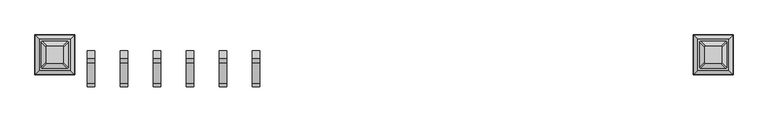
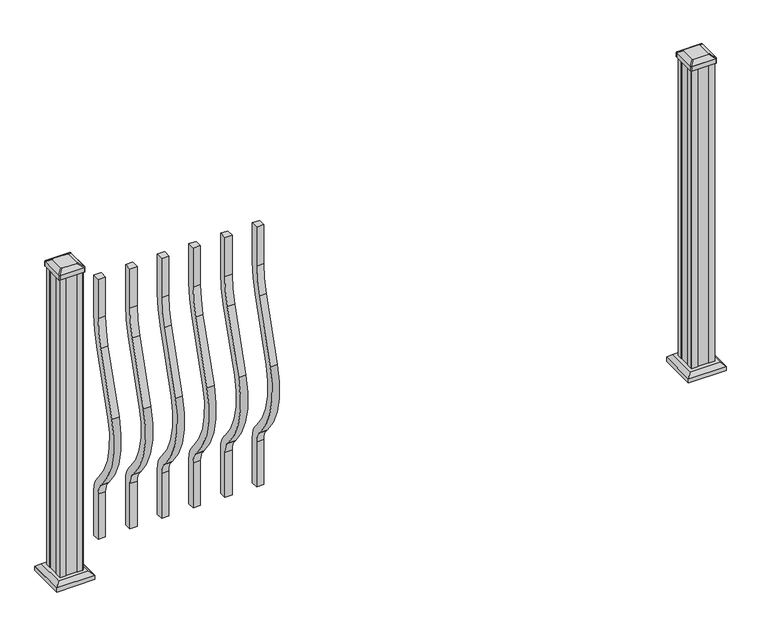
"""IFC4 building model written with IfcOpenShell, lengths in millimetres: railing geometry."""

from ifc_helpers import new_model, si_unit, point, frame, frame_2d, origin, origin_with_axes, place, context, project, spatial, polyline, circle_curve, trimmed, segment, composite_curve, outline, extrude, faceted_brep, source, transform, mapped, element, save
from ifc_brep_helpers import plane_surface, extruded_surface, advanced_brep


def railing_25727930(model_context):
    return source(origin(), model_context, "Body", "SolidModel", [
        extrude(outline(composite_curve([segment(polyline([(-48675.466414, 921.03216), (-48675.466414, 1066.8), (-48650.066414, 1066.8), (-48650.066414, 921.03216)]), True, "CONTINUOUS"), segment(trimmed(circle_curve(frame_2d((-49022.766414, 921.03216)), 372.7), [point((-48650.066414, 921.03216))], [point((-48666.3516315, 812.0652257))], False, "CARTESIAN"), True, "CONTINUOUS"), segment(polyline([(-48666.3516315, 812.0652257), (-48734.1789093, 590.2121964)]), True, "CONTINUOUS"), segment(trimmed(circle_curve(frame_2d((-48478.558648, 512.0612397)), 267.3), [point((-48734.1789093, 590.2121964))], [point((-48677.8736709, 333.9522516))], True, "CARTESIAN"), True, "CONTINUOUS"), segment(polyline([(-48677.8736709, 333.9522516), (-48672.3719976, 327.7955374)]), True, "CONTINUOUS"), segment(trimmed(circle_curve(frame_2d((-48737.766414, 269.3587313)), 87.7), [point((-48672.3719976, 327.7955374))], [point((-48650.066414, 269.3587313))], False, "CARTESIAN"), True, "CONTINUOUS"), segment(polyline([(-48650.066414, 269.3587313), (-48650.066414, 101.5958781), (-48675.466414, 101.5958781), (-48675.466414, 269.3587313)]), True, "CONTINUOUS"), segment(trimmed(circle_curve(frame_2d((-48737.766414, 269.3587313)), 62.3), [point((-48675.466414, 269.3587313))], [point((-48691.3117716, 310.8708524))], True, "CARTESIAN"), True, "CONTINUOUS"), segment(polyline([(-48691.3117716, 310.8708524), (-48696.8134448, 317.0275666)]), True, "CONTINUOUS"), segment(trimmed(circle_curve(frame_2d((-48478.558648, 512.0612397)), 292.7), [point((-48696.8134448, 317.0275666))], [point((-48758.4690501, 597.6384377))], False, "CARTESIAN"), True, "CONTINUOUS"), segment(polyline([(-48758.4690501, 597.6384377), (-48690.6417723, 819.491467)]), True, "CONTINUOUS"), segment(trimmed(circle_curve(frame_2d((-49022.766414, 921.03216)), 347.3), [point((-48690.6417723, 819.491467))], [point((-48675.466414, 921.03216))], True, "CARTESIAN"), True, "CONTINUOUS")], self_intersect=False)), frame((14147.5692463, 0.0, 0.0), z_axis=(1.0, 0.0, 0.0), x_axis=(0.0, 1.0, 0.0)), (0.0, 0.0, 1.0), 25.4),
        extrude(outline(composite_curve([segment(polyline([(-48675.466414, 921.03216), (-48675.466414, 1066.8), (-48650.066414, 1066.8), (-48650.066414, 921.03216)]), True, "CONTINUOUS"), segment(trimmed(circle_curve(frame_2d((-49022.766414, 921.03216)), 372.7), [point((-48650.066414, 921.03216))], [point((-48666.3516315, 812.0652257))], False, "CARTESIAN"), True, "CONTINUOUS"), segment(polyline([(-48666.3516315, 812.0652257), (-48734.1789093, 590.2121964)]), True, "CONTINUOUS"), segment(trimmed(circle_curve(frame_2d((-48478.558648, 512.0612397)), 267.3), [point((-48734.1789093, 590.2121964))], [point((-48677.8736709, 333.9522516))], True, "CARTESIAN"), True, "CONTINUOUS"), segment(polyline([(-48677.8736709, 333.9522516), (-48672.3719976, 327.7955374)]), True, "CONTINUOUS"), segment(trimmed(circle_curve(frame_2d((-48737.766414, 269.3587313)), 87.7), [point((-48672.3719976, 327.7955374))], [point((-48650.066414, 269.3587313))], False, "CARTESIAN"), True, "CONTINUOUS"), segment(polyline([(-48650.066414, 269.3587313), (-48650.066414, 101.5958781), (-48675.466414, 101.5958781), (-48675.466414, 269.3587313)]), True, "CONTINUOUS"), segment(trimmed(circle_curve(frame_2d((-48737.766414, 269.3587313)), 62.3), [point((-48675.466414, 269.3587313))], [point((-48691.3117716, 310.8708524))], True, "CARTESIAN"), True, "CONTINUOUS"), segment(polyline([(-48691.3117716, 310.8708524), (-48696.8134448, 317.0275666)]), True, "CONTINUOUS"), segment(trimmed(circle_curve(frame_2d((-48478.558648, 512.0612397)), 292.7), [point((-48696.8134448, 317.0275666))], [point((-48758.4690501, 597.6384377))], False, "CARTESIAN"), True, "CONTINUOUS"), segment(polyline([(-48758.4690501, 597.6384377), (-48690.6417723, 819.491467)]), True, "CONTINUOUS"), segment(trimmed(circle_curve(frame_2d((-49022.766414, 921.03216)), 347.3), [point((-48690.6417723, 819.491467))], [point((-48675.466414, 921.03216))], True, "CARTESIAN"), True, "CONTINUOUS")], self_intersect=False)), frame((14036.4442463, 0.0, 0.0), z_axis=(1.0, 0.0, 0.0), x_axis=(0.0, 1.0, 0.0)), (0.0, 0.0, 1.0), 25.4),
        extrude(outline(composite_curve([segment(polyline([(-48675.466414, 921.03216), (-48675.466414, 1066.8), (-48650.066414, 1066.8), (-48650.066414, 921.03216)]), True, "CONTINUOUS"), segment(trimmed(circle_curve(frame_2d((-49022.766414, 921.03216)), 372.7), [point((-48650.066414, 921.03216))], [point((-48666.3516315, 812.0652257))], False, "CARTESIAN"), True, "CONTINUOUS"), segment(polyline([(-48666.3516315, 812.0652257), (-48734.1789093, 590.2121964)]), True, "CONTINUOUS"), segment(trimmed(circle_curve(frame_2d((-48478.558648, 512.0612397)), 267.3), [point((-48734.1789093, 590.2121964))], [point((-48677.8736709, 333.9522516))], True, "CARTESIAN"), True, "CONTINUOUS"), segment(polyline([(-48677.8736709, 333.9522516), (-48672.3719976, 327.7955374)]), True, "CONTINUOUS"), segment(trimmed(circle_curve(frame_2d((-48737.766414, 269.3587313)), 87.7), [point((-48672.3719976, 327.7955374))], [point((-48650.066414, 269.3587313))], False, "CARTESIAN"), True, "CONTINUOUS"), segment(polyline([(-48650.066414, 269.3587313), (-48650.066414, 101.5958781), (-48675.466414, 101.5958781), (-48675.466414, 269.3587313)]), True, "CONTINUOUS"), segment(trimmed(circle_curve(frame_2d((-48737.766414, 269.3587313)), 62.3), [point((-48675.466414, 269.3587313))], [point((-48691.3117716, 310.8708524))], True, "CARTESIAN"), True, "CONTINUOUS"), segment(polyline([(-48691.3117716, 310.8708524), (-48696.8134448, 317.0275666)]), True, "CONTINUOUS"), segment(trimmed(circle_curve(frame_2d((-48478.558648, 512.0612397)), 292.7), [point((-48696.8134448, 317.0275666))], [point((-48758.4690501, 597.6384377))], False, "CARTESIAN"), True, "CONTINUOUS"), segment(polyline([(-48758.4690501, 597.6384377), (-48690.6417723, 819.491467)]), True, "CONTINUOUS"), segment(trimmed(circle_curve(frame_2d((-49022.766414, 921.03216)), 347.3), [point((-48690.6417723, 819.491467))], [point((-48675.466414, 921.03216))], True, "CARTESIAN"), True, "CONTINUOUS")], self_intersect=False)), frame((13925.3192463, 0.0, 0.0), z_axis=(1.0, 0.0, 0.0), x_axis=(0.0, 1.0, 0.0)), (0.0, 0.0, 1.0), 25.4),
        extrude(outline(composite_curve([segment(polyline([(-48675.466414, 921.03216), (-48675.466414, 1066.8), (-48650.066414, 1066.8), (-48650.066414, 921.03216)]), True, "CONTINUOUS"), segment(trimmed(circle_curve(frame_2d((-49022.766414, 921.03216)), 372.7), [point((-48650.066414, 921.03216))], [point((-48666.3516315, 812.0652257))], False, "CARTESIAN"), True, "CONTINUOUS"), segment(polyline([(-48666.3516315, 812.0652257), (-48734.1789093, 590.2121964)]), True, "CONTINUOUS"), segment(trimmed(circle_curve(frame_2d((-48478.558648, 512.0612397)), 267.3), [point((-48734.1789093, 590.2121964))], [point((-48677.8736709, 333.9522516))], True, "CARTESIAN"), True, "CONTINUOUS"), segment(polyline([(-48677.8736709, 333.9522516), (-48672.3719976, 327.7955374)]), True, "CONTINUOUS"), segment(trimmed(circle_curve(frame_2d((-48737.766414, 269.3587313)), 87.7), [point((-48672.3719976, 327.7955374))], [point((-48650.066414, 269.3587313))], False, "CARTESIAN"), True, "CONTINUOUS"), segment(polyline([(-48650.066414, 269.3587313), (-48650.066414, 101.5958781), (-48675.466414, 101.5958781), (-48675.466414, 269.3587313)]), True, "CONTINUOUS"), segment(trimmed(circle_curve(frame_2d((-48737.766414, 269.3587313)), 62.3), [point((-48675.466414, 269.3587313))], [point((-48691.3117716, 310.8708524))], True, "CARTESIAN"), True, "CONTINUOUS"), segment(polyline([(-48691.3117716, 310.8708524), (-48696.8134448, 317.0275666)]), True, "CONTINUOUS"), segment(trimmed(circle_curve(frame_2d((-48478.558648, 512.0612397)), 292.7), [point((-48696.8134448, 317.0275666))], [point((-48758.4690501, 597.6384377))], False, "CARTESIAN"), True, "CONTINUOUS"), segment(polyline([(-48758.4690501, 597.6384377), (-48690.6417723, 819.491467)]), True, "CONTINUOUS"), segment(trimmed(circle_curve(frame_2d((-49022.766414, 921.03216)), 347.3), [point((-48690.6417723, 819.491467))], [point((-48675.466414, 921.03216))], True, "CARTESIAN"), True, "CONTINUOUS")], self_intersect=False)), frame((13814.1942463, 0.0, 0.0), z_axis=(1.0, 0.0, 0.0), x_axis=(0.0, 1.0, 0.0)), (0.0, 0.0, 1.0), 25.4),
        extrude(outline(composite_curve([segment(polyline([(-48675.466414, 921.03216), (-48675.466414, 1066.8), (-48650.066414, 1066.8), (-48650.066414, 921.03216)]), True, "CONTINUOUS"), segment(trimmed(circle_curve(frame_2d((-49022.766414, 921.03216)), 372.7), [point((-48650.066414, 921.03216))], [point((-48666.3516315, 812.0652257))], False, "CARTESIAN"), True, "CONTINUOUS"), segment(polyline([(-48666.3516315, 812.0652257), (-48734.1789093, 590.2121964)]), True, "CONTINUOUS"), segment(trimmed(circle_curve(frame_2d((-48478.558648, 512.0612397)), 267.3), [point((-48734.1789093, 590.2121964))], [point((-48677.8736709, 333.9522516))], True, "CARTESIAN"), True, "CONTINUOUS"), segment(polyline([(-48677.8736709, 333.9522516), (-48672.3719976, 327.7955374)]), True, "CONTINUOUS"), segment(trimmed(circle_curve(frame_2d((-48737.766414, 269.3587313)), 87.7), [point((-48672.3719976, 327.7955374))], [point((-48650.066414, 269.3587313))], False, "CARTESIAN"), True, "CONTINUOUS"), segment(polyline([(-48650.066414, 269.3587313), (-48650.066414, 101.5958781), (-48675.466414, 101.5958781), (-48675.466414, 269.3587313)]), True, "CONTINUOUS"), segment(trimmed(circle_curve(frame_2d((-48737.766414, 269.3587313)), 62.3), [point((-48675.466414, 269.3587313))], [point((-48691.3117716, 310.8708524))], True, "CARTESIAN"), True, "CONTINUOUS"), segment(polyline([(-48691.3117716, 310.8708524), (-48696.8134448, 317.0275666)]), True, "CONTINUOUS"), segment(trimmed(circle_curve(frame_2d((-48478.558648, 512.0612397)), 292.7), [point((-48696.8134448, 317.0275666))], [point((-48758.4690501, 597.6384377))], False, "CARTESIAN"), True, "CONTINUOUS"), segment(polyline([(-48758.4690501, 597.6384377), (-48690.6417723, 819.491467)]), True, "CONTINUOUS"), segment(trimmed(circle_curve(frame_2d((-49022.766414, 921.03216)), 347.3), [point((-48690.6417723, 819.491467))], [point((-48675.466414, 921.03216))], True, "CARTESIAN"), True, "CONTINUOUS")], self_intersect=False)), frame((13703.0692463, 0.0, 0.0), z_axis=(1.0, 0.0, 0.0), x_axis=(0.0, 1.0, 0.0)), (0.0, 0.0, 1.0), 25.4),
        extrude(outline(composite_curve([segment(polyline([(-48675.466414, 921.03216), (-48675.466414, 1066.8), (-48650.066414, 1066.8), (-48650.066414, 921.03216)]), True, "CONTINUOUS"), segment(trimmed(circle_curve(frame_2d((-49022.766414, 921.03216)), 372.7), [point((-48650.066414, 921.03216))], [point((-48666.3516315, 812.0652257))], False, "CARTESIAN"), True, "CONTINUOUS"), segment(polyline([(-48666.3516315, 812.0652257), (-48734.1789093, 590.2121964)]), True, "CONTINUOUS"), segment(trimmed(circle_curve(frame_2d((-48478.558648, 512.0612397)), 267.3), [point((-48734.1789093, 590.2121964))], [point((-48677.8736709, 333.9522516))], True, "CARTESIAN"), True, "CONTINUOUS"), segment(polyline([(-48677.8736709, 333.9522516), (-48672.3719976, 327.7955374)]), True, "CONTINUOUS"), segment(trimmed(circle_curve(frame_2d((-48737.766414, 269.3587313)), 87.7), [point((-48672.3719976, 327.7955374))], [point((-48650.066414, 269.3587313))], False, "CARTESIAN"), True, "CONTINUOUS"), segment(polyline([(-48650.066414, 269.3587313), (-48650.066414, 101.5958781), (-48675.466414, 101.5958781), (-48675.466414, 269.3587313)]), True, "CONTINUOUS"), segment(trimmed(circle_curve(frame_2d((-48737.766414, 269.3587313)), 62.3), [point((-48675.466414, 269.3587313))], [point((-48691.3117716, 310.8708524))], True, "CARTESIAN"), True, "CONTINUOUS"), segment(polyline([(-48691.3117716, 310.8708524), (-48696.8134448, 317.0275666)]), True, "CONTINUOUS"), segment(trimmed(circle_curve(frame_2d((-48478.558648, 512.0612397)), 292.7), [point((-48696.8134448, 317.0275666))], [point((-48758.4690501, 597.6384377))], False, "CARTESIAN"), True, "CONTINUOUS"), segment(polyline([(-48758.4690501, 597.6384377), (-48690.6417723, 819.491467)]), True, "CONTINUOUS"), segment(trimmed(circle_curve(frame_2d((-49022.766414, 921.03216)), 347.3), [point((-48690.6417723, 819.491467))], [point((-48675.466414, 921.03216))], True, "CARTESIAN"), True, "CONTINUOUS")], self_intersect=False)), frame((13591.9442463, 0.0, 0.0), z_axis=(1.0, 0.0, 0.0), x_axis=(0.0, 1.0, 0.0)), (0.0, 0.0, 1.0), 25.4),
        faceted_brep([(15645.9708088, -48715.3523515, 28.575), (15751.1426838, -48715.3523515, 28.575), (15751.1426838, -48610.1804765, 28.575), (15645.9708088, -48610.1804765, 28.575), (15631.9313557, -48729.3918046, 15.24), (15631.9313557, -48596.1410234, 15.24), (15765.182137, -48596.1410234, 15.24), (15765.182137, -48729.3918046, 15.24)], [[[0, 1, 2, 3]], [[4, 5, 6, 7]], [[4, 0, 3, 5]], [[5, 3, 2, 6]], [[6, 2, 1, 7]], [[7, 1, 0, 4]]]),
        extrude(outline(polyline([(15631.9313557, -48729.3918046), (15631.9313557, -48596.1410234), (15765.182137, -48596.1410234), (15765.182137, -48729.3918046), (15631.9313557, -48729.3918046)])), origin_with_axes(), (0.0, 0.0, 1.0), 15.24),
        advanced_brep(
        [(15669.5848713, -48636.969539, 1165.225), (15669.5848713, -48688.563289, 1165.225), (15672.7598713, -48691.738289, 1165.225), (15724.3536213, -48691.738289, 1165.225), (15727.5286213, -48688.563289, 1165.225), (15727.5286213, -48636.969539, 1165.225), (15724.3536213, -48633.794539, 1165.225), (15672.7598713, -48633.794539, 1165.225), (15653.3129963, -48620.697664, 1153.922), (15656.4879963, -48617.522664, 1153.922), (15740.6254963, -48617.522664, 1153.922), (15743.8004963, -48620.697664, 1153.922), (15743.8004963, -48704.835164, 1153.922), (15740.6254963, -48708.010164, 1153.922), (15656.4879963, -48708.010164, 1153.922), (15653.3129963, -48704.835164, 1153.922)],
        [
            (0, 1),
            (1, 2, circle_curve(frame((15672.7598713, -48688.563289, 1165.225), z_axis=(0.0, 0.0, 1.0), x_axis=(1.0, 0.0, 0.0)), 3.175)),
            (2, 3),
            (3, 4, circle_curve(frame((15724.3536213, -48688.563289, 1165.225), z_axis=(0.0, 0.0, 1.0), x_axis=(1.0, 0.0, 0.0)), 3.175)),
            (4, 5),
            (5, 6, circle_curve(frame((15724.3536213, -48636.969539, 1165.225), z_axis=(0.0, 0.0, 1.0), x_axis=(1.0, 0.0, 0.0)), 3.175)),
            (6, 7),
            (7, 0, circle_curve(frame((15672.7598713, -48636.969539, 1165.225), z_axis=(0.0, 0.0, 1.0), x_axis=(1.0, 0.0, 0.0)), 3.175)),
            (8, 9, circle_curve(frame((15656.4879963, -48620.697664, 1153.922), z_axis=(0.0, 0.0, -1.0), x_axis=(1.0, 0.0, 0.0)), 3.175)),
            (9, 10),
            (10, 11, circle_curve(frame((15740.6254963, -48620.697664, 1153.922), z_axis=(0.0, 0.0, -1.0), x_axis=(1.0, 0.0, 0.0)), 3.175)),
            (11, 12),
            (12, 13, circle_curve(frame((15740.6254963, -48704.835164, 1153.922), z_axis=(0.0, 0.0, -1.0), x_axis=(1.0, 0.0, 0.0)), 3.175)),
            (13, 14),
            (14, 15, circle_curve(frame((15656.4879963, -48704.835164, 1153.922), z_axis=(0.0, 0.0, -1.0), x_axis=(1.0, 0.0, 0.0)), 3.175)),
            (15, 8),
            (8, 0),
            (7, 9),
            (6, 10),
            (5, 11),
            (4, 12),
            (3, 13),
            (2, 14),
            (1, 15),
        ],
        [
            plane_surface(frame((15698.5567463, -48662.766414, 1165.225), z_axis=(0.0, 0.0, 1.0), x_axis=(0.0, 1.0, 0.0))),
            plane_surface(frame((15698.5567463, -48662.766414, 1153.922), z_axis=(0.0, 0.0, -1.0), x_axis=(0.0, 1.0, 0.0))),
            extruded_surface(trimmed(circle_curve(frame((15672.7598713, -48636.969539, 1165.225), z_axis=(0.0, 0.0, -1.0), x_axis=(1.0, 0.0, 0.0)), 3.175), [point((15669.5848713, -48636.969539, 1165.225))], [point((15672.7598713, -48633.794539, 1165.225))], True, "CARTESIAN"), (-16.271875000000364, 16.271874999998545, -11.302999999999884), 25.63797263886542),
            plane_surface(frame((15698.5567463, -48617.522664, 1153.922), z_axis=(0.0, 0.5705009161540777, 0.8212969649690409), x_axis=(1.0, 0.0, 0.0))),
            extruded_surface(trimmed(circle_curve(frame((15724.3536213, -48636.969539, 1165.225), z_axis=(0.0, 0.0, -1.0), x_axis=(1.0, 0.0, 0.0)), 3.175), [point((15724.3536213, -48633.794539, 1165.225))], [point((15727.5286213, -48636.969539, 1165.225))], True, "CARTESIAN"), (16.271874999998545, 16.271874999998545, -11.302999999999884), 25.637972638864262),
            plane_surface(frame((15743.8004963, -48662.766414, 1153.922), z_axis=(0.5705009161540291, 0.0, 0.8212969649690747), x_axis=(0.0, -1.0, 0.0))),
            extruded_surface(trimmed(circle_curve(frame((15724.3536213, -48688.563289, 1165.225), z_axis=(0.0, 0.0, -1.0), x_axis=(1.0, 0.0, 0.0)), 3.175), [point((15727.5286213, -48688.563289, 1165.225))], [point((15724.3536213, -48691.738289, 1165.225))], True, "CARTESIAN"), (16.271874999998545, -16.271874999998545, -11.302999999999884), 25.637972638864262),
            plane_surface(frame((15698.5567463, -48708.010164, 1153.922), z_axis=(0.0, -0.5705009161540143, 0.821296964969085), x_axis=(-1.0, 0.0, 0.0))),
            extruded_surface(trimmed(circle_curve(frame((15672.7598713, -48688.563289, 1165.225), z_axis=(0.0, 0.0, -1.0), x_axis=(1.0, 0.0, 0.0)), 3.175), [point((15672.7598713, -48691.738289, 1165.225))], [point((15669.5848713, -48688.563289, 1165.225))], True, "CARTESIAN"), (-16.271875000000364, -16.271874999998545, -11.302999999999884), 25.63797263886542),
            plane_surface(frame((15653.3129963, -48662.766414, 1153.922), z_axis=(-0.570500916154034, 0.0, 0.8212969649690713), x_axis=(0.0, 1.0, 0.0))),
        ],
        [
            (0, [[1, 2, 3, 4, 5, 6, 7, 8]]),
            (1, [[9, 10, 11, 12, 13, 14, 15, 16]]),
            (2, [[17, -8, 18, -9]]),
            (3, [[-18, -7, 19, -10]]),
            (4, [[-19, -6, 20, -11]]),
            (5, [[-20, -5, 21, -12]]),
            (6, [[-21, -4, 22, -13]]),
            (7, [[-22, -3, 23, -14]]),
            (8, [[-23, -2, 24, -15]]),
            (9, [[-24, -1, -17, -16]]),
        ],
    ),
        extrude(outline(composite_curve([segment(trimmed(circle_curve(frame_2d((15656.4879963, -48620.697664)), 3.175), [point((15653.3129963, -48620.697664))], [point((15656.4879963, -48617.522664))], False, "CARTESIAN"), True, "CONTINUOUS"), segment(polyline([(15656.4879963, -48617.522664), (15740.6254963, -48617.522664)]), True, "CONTINUOUS"), segment(trimmed(circle_curve(frame_2d((15740.6254963, -48620.697664)), 3.175), [point((15740.6254963, -48617.522664))], [point((15743.8004963, -48620.697664))], False, "CARTESIAN"), True, "CONTINUOUS"), segment(polyline([(15743.8004963, -48620.697664), (15743.8004963, -48704.835164)]), True, "CONTINUOUS"), segment(trimmed(circle_curve(frame_2d((15740.6254963, -48704.835164)), 3.175), [point((15743.8004963, -48704.835164))], [point((15740.6254963, -48708.010164))], False, "CARTESIAN"), True, "CONTINUOUS"), segment(polyline([(15740.6254963, -48708.010164), (15656.4879963, -48708.010164)]), True, "CONTINUOUS"), segment(trimmed(circle_curve(frame_2d((15656.4879963, -48704.835164)), 3.175), [point((15656.4879963, -48708.010164))], [point((15653.3129963, -48704.835164))], False, "CARTESIAN"), True, "CONTINUOUS"), segment(polyline([(15653.3129963, -48704.835164), (15653.3129963, -48620.697664)]), True, "CONTINUOUS")], self_intersect=False)), frame((0.0, 0.0, 1136.65), z_axis=(0.0, 0.0, 1.0), x_axis=(1.0, 0.0, 0.0)), (0.0, 0.0, 1.0), 17.272),
        extrude(outline(polyline([(15657.2817463, -48623.078914), (15658.8692463, -48621.491414), (15678.4907463, -48621.491414), (15679.2527463, -48623.078914), (15717.8607463, -48623.078914), (15718.6227463, -48621.491414), (15738.2442463, -48621.491414), (15739.8317463, -48623.078914), (15739.8317463, -48642.700414), (15738.2442463, -48643.462414), (15738.2442463, -48682.070414), (15739.8317463, -48682.832414), (15739.8317463, -48702.453914), (15738.2442463, -48704.041414), (15718.6227463, -48704.041414), (15717.8607463, -48702.453914), (15679.2527463, -48702.453914), (15678.4907463, -48704.041414), (15658.8692463, -48704.041414), (15657.2817463, -48702.453914), (15657.2817463, -48682.832414), (15658.8692463, -48682.070414), (15658.8692463, -48643.462414), (15657.2817463, -48642.700414), (15657.2817463, -48623.078914)])), origin_with_axes(), (0.0, 0.0, 1.0), 1136.65),
        faceted_brep([(13429.8208088, -48715.3523515, 28.575), (13534.9926838, -48715.3523515, 28.575), (13534.9926838, -48610.1804765, 28.575), (13429.8208088, -48610.1804765, 28.575), (13415.7813557, -48729.3918046, 15.24), (13415.7813557, -48596.1410234, 15.24), (13549.032137, -48596.1410234, 15.24), (13549.032137, -48729.3918046, 15.24)], [[[0, 1, 2, 3]], [[4, 5, 6, 7]], [[4, 0, 3, 5]], [[5, 3, 2, 6]], [[6, 2, 1, 7]], [[7, 1, 0, 4]]]),
        extrude(outline(polyline([(13415.7813557, -48729.3918046), (13415.7813557, -48596.1410234), (13549.032137, -48596.1410234), (13549.032137, -48729.3918046), (13415.7813557, -48729.3918046)])), origin_with_axes(), (0.0, 0.0, 1.0), 15.24),
        advanced_brep(
        [(13453.4348713, -48636.969539, 1165.225), (13453.4348713, -48688.563289, 1165.225), (13456.6098713, -48691.738289, 1165.225), (13508.2036213, -48691.738289, 1165.225), (13511.3786213, -48688.563289, 1165.225), (13511.3786213, -48636.969539, 1165.225), (13508.2036213, -48633.794539, 1165.225), (13456.6098713, -48633.794539, 1165.225), (13437.1629963, -48620.697664, 1153.922), (13440.3379963, -48617.522664, 1153.922), (13524.4754963, -48617.522664, 1153.922), (13527.6504963, -48620.697664, 1153.922), (13527.6504963, -48704.835164, 1153.922), (13524.4754963, -48708.010164, 1153.922), (13440.3379963, -48708.010164, 1153.922), (13437.1629963, -48704.835164, 1153.922)],
        [
            (0, 1),
            (1, 2, circle_curve(frame((13456.6098713, -48688.563289, 1165.225), z_axis=(0.0, 0.0, 1.0), x_axis=(1.0, 0.0, 0.0)), 3.175)),
            (2, 3),
            (3, 4, circle_curve(frame((13508.2036213, -48688.563289, 1165.225), z_axis=(0.0, 0.0, 1.0), x_axis=(1.0, 0.0, 0.0)), 3.175)),
            (4, 5),
            (5, 6, circle_curve(frame((13508.2036213, -48636.969539, 1165.225), z_axis=(0.0, 0.0, 1.0), x_axis=(1.0, 0.0, 0.0)), 3.175)),
            (6, 7),
            (7, 0, circle_curve(frame((13456.6098713, -48636.969539, 1165.225), z_axis=(0.0, 0.0, 1.0), x_axis=(1.0, 0.0, 0.0)), 3.175)),
            (8, 9, circle_curve(frame((13440.3379963, -48620.697664, 1153.922), z_axis=(0.0, 0.0, -1.0), x_axis=(1.0, 0.0, 0.0)), 3.175)),
            (9, 10),
            (10, 11, circle_curve(frame((13524.4754963, -48620.697664, 1153.922), z_axis=(0.0, 0.0, -1.0), x_axis=(1.0, 0.0, 0.0)), 3.175)),
            (11, 12),
            (12, 13, circle_curve(frame((13524.4754963, -48704.835164, 1153.922), z_axis=(0.0, 0.0, -1.0), x_axis=(1.0, 0.0, 0.0)), 3.175)),
            (13, 14),
            (14, 15, circle_curve(frame((13440.3379963, -48704.835164, 1153.922), z_axis=(0.0, 0.0, -1.0), x_axis=(1.0, 0.0, 0.0)), 3.175)),
            (15, 8),
            (8, 0),
            (7, 9),
            (6, 10),
            (5, 11),
            (4, 12),
            (3, 13),
            (2, 14),
            (1, 15),
        ],
        [
            plane_surface(frame((13482.4067463, -48662.766414, 1165.225), z_axis=(0.0, 0.0, 1.0), x_axis=(0.0, 1.0, 0.0))),
            plane_surface(frame((13482.4067463, -48662.766414, 1153.922), z_axis=(0.0, 0.0, -1.0), x_axis=(0.0, 1.0, 0.0))),
            extruded_surface(trimmed(circle_curve(frame((13456.6098713, -48636.969539, 1165.225), z_axis=(0.0, 0.0, -1.0), x_axis=(1.0, 0.0, 0.0)), 3.175), [point((13453.4348713, -48636.969539, 1165.225))], [point((13456.6098713, -48633.794539, 1165.225))], True, "CARTESIAN"), (-16.271874999998545, 16.271874999998545, -11.302999999999884), 25.637972638864262),
            plane_surface(frame((13482.4067463, -48617.522664, 1153.922), z_axis=(0.0, 0.5705009161540777, 0.8212969649690409), x_axis=(1.0, 0.0, 0.0))),
            extruded_surface(trimmed(circle_curve(frame((13508.2036213, -48636.969539, 1165.225), z_axis=(0.0, 0.0, -1.0), x_axis=(1.0, 0.0, 0.0)), 3.175), [point((13508.2036213, -48633.794539, 1165.225))], [point((13511.3786213, -48636.969539, 1165.225))], True, "CARTESIAN"), (16.271875000000364, 16.271874999998545, -11.302999999999884), 25.63797263886542),
            plane_surface(frame((13527.6504963, -48662.766414, 1153.922), z_axis=(0.5705009161540291, 0.0, 0.8212969649690747), x_axis=(0.0, -1.0, 0.0))),
            extruded_surface(trimmed(circle_curve(frame((13508.2036213, -48688.563289, 1165.225), z_axis=(0.0, 0.0, -1.0), x_axis=(1.0, 0.0, 0.0)), 3.175), [point((13511.3786213, -48688.563289, 1165.225))], [point((13508.2036213, -48691.738289, 1165.225))], True, "CARTESIAN"), (16.271875000000364, -16.271874999998545, -11.302999999999884), 25.63797263886542),
            plane_surface(frame((13482.4067463, -48708.010164, 1153.922), z_axis=(0.0, -0.5705009161540143, 0.821296964969085), x_axis=(-1.0, 0.0, 0.0))),
            extruded_surface(trimmed(circle_curve(frame((13456.6098713, -48688.563289, 1165.225), z_axis=(0.0, 0.0, -1.0), x_axis=(1.0, 0.0, 0.0)), 3.175), [point((13456.6098713, -48691.738289, 1165.225))], [point((13453.4348713, -48688.563289, 1165.225))], True, "CARTESIAN"), (-16.271874999998545, -16.271874999998545, -11.302999999999884), 25.637972638864262),
            plane_surface(frame((13437.1629963, -48662.766414, 1153.922), z_axis=(-0.570500916154034, 0.0, 0.8212969649690713), x_axis=(0.0, 1.0, 0.0))),
        ],
        [
            (0, [[1, 2, 3, 4, 5, 6, 7, 8]]),
            (1, [[9, 10, 11, 12, 13, 14, 15, 16]]),
            (2, [[17, -8, 18, -9]]),
            (3, [[-18, -7, 19, -10]]),
            (4, [[-19, -6, 20, -11]]),
            (5, [[-20, -5, 21, -12]]),
            (6, [[-21, -4, 22, -13]]),
            (7, [[-22, -3, 23, -14]]),
            (8, [[-23, -2, 24, -15]]),
            (9, [[-24, -1, -17, -16]]),
        ],
    ),
        extrude(outline(composite_curve([segment(trimmed(circle_curve(frame_2d((13440.3379963, -48620.697664)), 3.175), [point((13437.1629963, -48620.697664))], [point((13440.3379963, -48617.522664))], False, "CARTESIAN"), True, "CONTINUOUS"), segment(polyline([(13440.3379963, -48617.522664), (13524.4754963, -48617.522664)]), True, "CONTINUOUS"), segment(trimmed(circle_curve(frame_2d((13524.4754963, -48620.697664)), 3.175), [point((13524.4754963, -48617.522664))], [point((13527.6504963, -48620.697664))], False, "CARTESIAN"), True, "CONTINUOUS"), segment(polyline([(13527.6504963, -48620.697664), (13527.6504963, -48704.835164)]), True, "CONTINUOUS"), segment(trimmed(circle_curve(frame_2d((13524.4754963, -48704.835164)), 3.175), [point((13527.6504963, -48704.835164))], [point((13524.4754963, -48708.010164))], False, "CARTESIAN"), True, "CONTINUOUS"), segment(polyline([(13524.4754963, -48708.010164), (13440.3379963, -48708.010164)]), True, "CONTINUOUS"), segment(trimmed(circle_curve(frame_2d((13440.3379963, -48704.835164)), 3.175), [point((13440.3379963, -48708.010164))], [point((13437.1629963, -48704.835164))], False, "CARTESIAN"), True, "CONTINUOUS"), segment(polyline([(13437.1629963, -48704.835164), (13437.1629963, -48620.697664)]), True, "CONTINUOUS")], self_intersect=False)), frame((0.0, 0.0, 1136.65), z_axis=(0.0, 0.0, 1.0), x_axis=(1.0, 0.0, 0.0)), (0.0, 0.0, 1.0), 17.272),
        extrude(outline(polyline([(13441.1317463, -48623.078914), (13442.7192463, -48621.491414), (13462.3407463, -48621.491414), (13463.1027463, -48623.078914), (13501.7107463, -48623.078914), (13502.4727463, -48621.491414), (13522.0942463, -48621.491414), (13523.6817463, -48623.078914), (13523.6817463, -48642.700414), (13522.0942463, -48643.462414), (13522.0942463, -48682.070414), (13523.6817463, -48682.832414), (13523.6817463, -48702.453914), (13522.0942463, -48704.041414), (13502.4727463, -48704.041414), (13501.7107463, -48702.453914), (13463.1027463, -48702.453914), (13462.3407463, -48704.041414), (13442.7192463, -48704.041414), (13441.1317463, -48702.453914), (13441.1317463, -48682.832414), (13442.7192463, -48682.070414), (13442.7192463, -48643.462414), (13441.1317463, -48642.700414), (13441.1317463, -48623.078914)])), origin_with_axes(), (0.0, 0.0, 1.0), 1136.65),
    ])


if __name__ == "__main__":
    model = new_model("IFC4")
    model_context = context("Model", 3, world=origin())
    ifc_project = project(units=[si_unit("LENGTHUNIT", "METRE", prefix="MILLI")], contexts=[model_context])
    site = spatial("IfcSite", under=ifc_project)
    building = spatial("IfcBuilding", under=site)
    placement = place(None, origin())
    railing_shape = railing_25727930(model_context)
    element("IfcRailing", 1, at=placement, inside=building, context=model_context, shape_type="MappedRepresentation", body=[
        mapped(railing_shape, transform((0.0, 0.0, 0.0), x_axis=(1.0, 0.0, 0.0), y_axis=(0.0, 1.0, 0.0), z_axis=(0.0, 0.0, 1.0))),
    ])
    save(model, "model.ifc")
